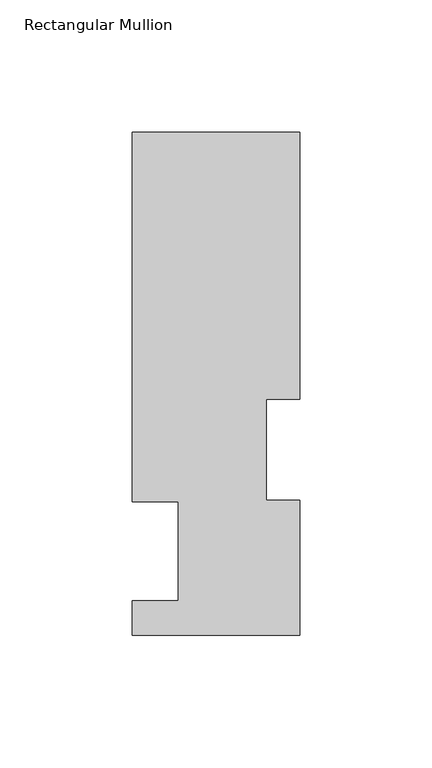
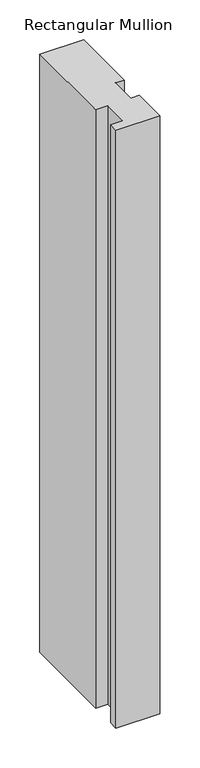
"""IFC4 building model written with IfcOpenShell, lengths in millimetres: member geometry, Rectangular Mullion."""

from ifc_helpers import new_model, si_unit, frame, origin, place, context, project, spatial, polyline, outline, extrude, source, transform, mapped, element, save


def rectangular_mullion_06823e13(model_context):
    return source(origin(), model_context, "Body", "SweptSolid", [
        extrude(outline(polyline([(31.75, 190.7881313), (31.75, 89.5945313), (19.05, 89.5945313), (19.05, 51.4945315), (31.7595098, 51.4945315), (31.7595098, 0.2119312), (-31.7500004, 0.2119312), (-31.7500004, 13.3945312), (-14.2748004, 13.3945312), (-14.2748004, 50.8087294), (-31.7500004, 50.8087294), (-31.7500004, 190.7881313), (31.75, 190.7881313)])), frame((0.0, 0.0, -914.4), z_axis=(0.0, 0.0, 1.0), x_axis=(1.0, 0.0, 0.0)), (0.0, 0.0, 1.0), 914.4),
    ])


if __name__ == "__main__":
    model = new_model("IFC4")
    model_context = context("Model", 3, world=origin())
    ifc_project = project(units=[si_unit("LENGTHUNIT", "METRE", prefix="MILLI")], contexts=[model_context])
    site = spatial("IfcSite", under=ifc_project)
    building = spatial("IfcBuilding", under=site)
    placement = place(None, origin())
    rectangular_mullion_shape = rectangular_mullion_06823e13(model_context)
    element("IfcMember", 1, ObjectType="Rectangular Mullion", at=placement, inside=building, context=model_context, shape_type="MappedRepresentation", body=[
        mapped(rectangular_mullion_shape, transform((0.0, 0.0, 0.0), x_axis=(1.0, 0.0, 0.0), y_axis=(0.0, 1.0, 0.0), z_axis=(0.0, 0.0, 1.0))),
    ])
    save(model, "model.ifc")
